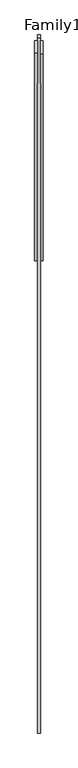
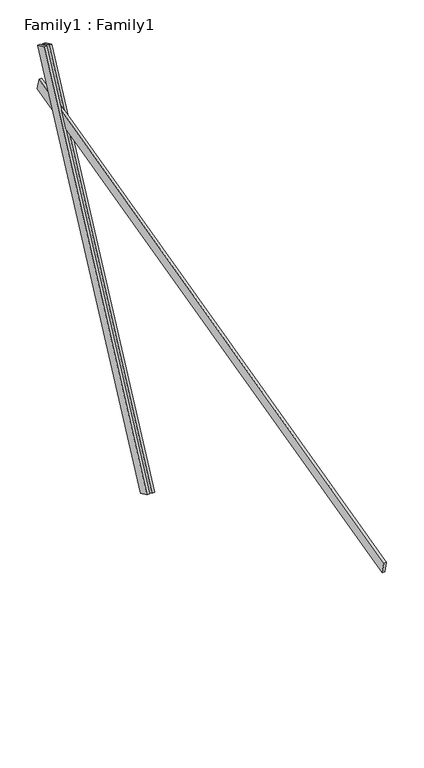
"""IFC4 building model written with IfcOpenShell, lengths in millimetres: proxy geometry, Family1 : Family1."""

import ifcopenshell
import ifcopenshell.guid

model = None  # the IFC model being written
_history = None  # IfcOwnerHistory: only IFC2X3 demands one
_inside = {}  # id of a spatial element -> (the spatial element, [elements in it])
_under = {}  # id of a project, library or spatial element -> (it, [spatial elements below it])
_declared = {}  # id of a project -> (the project, [libraries it declares])
_typed = {}  # id of a type object -> (the type object, [elements of that type])
_made_of = {}  # id of a material, layer set ... -> (it, [elements and type objects made of it])


def new_model(schema):
    """Start an empty IFC model of exactly this schema.

    Asked for "IFC4X3", IfcOpenShell would pick the latest addendum, in which some entities
    have other attributes; the version numbers below select the first issue.
    IFC2X3 requires an IfcOwnerHistory on every rooted entity: one is made here for all.
    """
    global model, _history
    if schema == "IFC4X3":
        model = ifcopenshell.file(schema_version=(4, 3, 0, 0))
    else:
        model = ifcopenshell.file(schema=schema)
    _inside.clear()
    _under.clear()
    _declared.clear()
    _typed.clear()
    _made_of.clear()
    _history = None
    if model.schema == "IFC2X3":
        org = make("IfcOrganization", Name="unknown")
        user = make(
            "IfcPersonAndOrganization",
            ThePerson=make("IfcPerson", FamilyName="unknown"),
            TheOrganization=org,
        )
        app = make(
            "IfcApplication",
            ApplicationDeveloper=org,
            Version="unknown",
            ApplicationFullName="unknown",
            ApplicationIdentifier="unknown",
        )
        _history = make(
            "IfcOwnerHistory",
            OwningUser=user,
            OwningApplication=app,
            ChangeAction="ADDED",
            CreationDate=0,
        )
    return model


def make(cls, **values):
    """One entity of the class cls with the attributes given. An attribute that is None is left unset."""
    return model.create_entity(
        cls, **{name: value for name, value in values.items() if value is not None}
    )


def rooted(cls, **values):
    """An entity with a GlobalId (a new one), such as an element, a storey or a relation."""
    return make(cls, GlobalId=ifcopenshell.guid.new(), OwnerHistory=_history, **values)


def si_unit(unit_type, name, prefix=None):
    """IfcSIUnit, for example si_unit("LENGTHUNIT", "METRE", prefix="MILLI")."""
    return make("IfcSIUnit", UnitType=unit_type, Prefix=prefix, Name=name)


def assignment(units):
    """IfcUnitAssignment: the units of a project."""
    return None if units is None else make("IfcUnitAssignment", Units=units)


def point(xyz):
    """IfcCartesianPoint."""
    return None if xyz is None else make("IfcCartesianPoint", Coordinates=xyz)


def direction(xyz):
    """IfcDirection."""
    return None if xyz is None else make("IfcDirection", DirectionRatios=xyz)


def frame(location, z_axis=None, x_axis=None):
    """IfcAxis2Placement3D, a coordinate frame: its origin and axes. An axis left out is left unset."""
    return make(
        "IfcAxis2Placement3D",
        Location=point(location),
        Axis=direction(z_axis),
        RefDirection=direction(x_axis),
    )


def origin():
    """The frame at (0, 0, 0) with its axes left unset."""
    return frame((0.0, 0.0, 0.0))


def place(relative_to, where):
    """IfcLocalPlacement: puts the frame where relative to a parent placement (None: the world)."""
    return make(
        "IfcLocalPlacement", PlacementRelTo=relative_to, RelativePlacement=where
    )


def context(
    kind, dimensions, precision=None, world=None, true_north=None, identifier=None
):
    """IfcGeometricRepresentationContext, for example the 3D "Model" context."""
    return make(
        "IfcGeometricRepresentationContext",
        ContextIdentifier=identifier,
        ContextType=kind,
        CoordinateSpaceDimension=dimensions,
        Precision=precision,
        WorldCoordinateSystem=world,
        TrueNorth=true_north,
    )


def project(units=None, contexts=None):
    """IfcProject with its units and contexts."""
    return rooted(
        "IfcProject",
        Name="project",
        RepresentationContexts=contexts,
        UnitsInContext=assignment(units),
    )


def spatial(cls, under=None, at=None, **own):
    """A site, building, storey or space (cls), placed at a placement, below another one or the project."""
    s = rooted(cls, ObjectPlacement=at, **own)
    if under is not None:
        _under.setdefault(under.id(), (under, []))[1].append(s)
    return s


def polyline(points):
    """IfcPolyline through the points."""
    return make("IfcPolyline", Points=[point(p) for p in points])


def outline(outer, holes=None, kind="AREA"):
    """IfcArbitraryClosedProfileDef: a profile drawn as a closed curve; with holes, ...WithVoids."""
    if holes is None:
        return make("IfcArbitraryClosedProfileDef", ProfileType=kind, OuterCurve=outer)
    return make(
        "IfcArbitraryProfileDefWithVoids",
        ProfileType=kind,
        OuterCurve=outer,
        InnerCurves=holes,
    )


def extrude(swept, where, along, depth):
    """IfcExtrudedAreaSolid: the profile swept, set in the frame where, extruded along a direction by depth."""
    return make(
        "IfcExtrudedAreaSolid",
        SweptArea=swept,
        Position=where,
        ExtrudedDirection=direction(along),
        Depth=depth,
    )


def shape(context_of_items, identifier, shape_type, items):
    """IfcShapeRepresentation: the items that make up one representation, for example the "Body"."""
    return make(
        "IfcShapeRepresentation",
        ContextOfItems=context_of_items,
        RepresentationIdentifier=identifier,
        RepresentationType=shape_type,
        Items=items,
    )


def source(mapping_origin, context_of_items, identifier, shape_type, items):
    """IfcRepresentationMap: a shape defined once, which mapped items show again and again."""
    return make(
        "IfcRepresentationMap",
        MappingOrigin=mapping_origin,
        MappedRepresentation=shape(context_of_items, identifier, shape_type, items),
    )


def transform(
    local_origin,
    x_axis=None,
    y_axis=None,
    z_axis=None,
    scale=None,
    scale2=None,
    scale3=None,
    uniform=True,
):
    """IfcCartesianTransformationOperator3D, or its non-uniform kind. x_axis, y_axis, z_axis: its Axis1, 2, 3."""
    if uniform:
        return make(
            "IfcCartesianTransformationOperator3D",
            Axis1=direction(x_axis),
            Axis2=direction(y_axis),
            LocalOrigin=point(local_origin),
            Scale=scale,
            Axis3=direction(z_axis),
        )
    return make(
        "IfcCartesianTransformationOperator3DnonUniform",
        Axis1=direction(x_axis),
        Axis2=direction(y_axis),
        LocalOrigin=point(local_origin),
        Scale=scale,
        Axis3=direction(z_axis),
        Scale2=scale2,
        Scale3=scale3,
    )


def mapped(mapping_source, mapping_target):
    """IfcMappedItem: shows the shape of a source again, moved by a transform."""
    return make(
        "IfcMappedItem", MappingSource=mapping_source, MappingTarget=mapping_target
    )


def made_of(thing, what):
    """Note that an element or type object is made of a material, layer set ...; save() writes the relation."""
    if what is not None:
        _made_of.setdefault(what.id(), (what, []))[1].append(thing)
    return thing


def element(
    cls,
    number,
    at=None,
    inside=None,
    cuts=None,
    type_object=None,
    material=None,
    context=None,
    identifier="Body",
    shape_type=None,
    held_by="IfcProductDefinitionShape",
    body=None,
    shapes=None,
    **own,
):
    """One element of the class cls, such as IfcWall. Its Tag is "e" and its number.

    at: its placement. inside: the storey or other place that contains it. cuts: it is an
    opening in that element (IfcRelVoidsElement). A single representation is given by context,
    identifier, shape_type and body (its items); several are given by shapes. held_by: the class
    of the entity that holds the representations. save() writes the other relations.
    """
    e = rooted(cls, Tag="e%d" % number, ObjectPlacement=at, **own)
    if body is not None:
        shapes = [shape(context, identifier, shape_type, body)]
    if shapes is not None:
        e.Representation = make(held_by, Representations=shapes)
    if inside is not None:
        _inside.setdefault(inside.id(), (inside, []))[1].append(e)
    if cuts is not None:
        rooted(
            "IfcRelVoidsElement", RelatingBuildingElement=cuts, RelatedOpeningElement=e
        )
    if type_object is not None:
        _typed.setdefault(type_object.id(), (type_object, []))[1].append(e)
    return made_of(e, material)


def aggregate(whole, parts):
    """IfcRelAggregates: a whole, such as a stair, and the parts it consists of."""
    return rooted("IfcRelAggregates", RelatingObject=whole, RelatedObjects=parts)


def save(model, path):
    """Write the relations noted so far, then the file.

    IfcRelAggregates (storeys below a building ...), IfcRelContainedInSpatialStructure (elements
    in a storey), IfcRelDefinesByType, IfcRelAssociatesMaterial and IfcRelDeclares: one each for
    every whole, place, type object, material and project.
    """
    for whole, parts in _under.values():
        aggregate(whole, parts)
    for where, things in _inside.values():
        rooted(
            "IfcRelContainedInSpatialStructure",
            RelatedElements=things,
            RelatingStructure=where,
        )
    for kind, things in _typed.values():
        rooted("IfcRelDefinesByType", RelatedObjects=things, RelatingType=kind)
    for what, things in _made_of.values():
        rooted("IfcRelAssociatesMaterial", RelatedObjects=things, RelatingMaterial=what)
    for by, libraries in _declared.values():
        rooted("IfcRelDeclares", RelatingContext=by, RelatedDefinitions=libraries)
    model.write(path)


def family1_family1_6b21868f(model_context):
    return source(origin(), model_context, "Body", "SweptSolid", [
        extrude(outline(polyline([(0.0, 0.0), (0.0, -20.0), (-100.0000001, -20.0), (-100.0000001, 0.0), (0.0, 0.0)])), frame((-30.0, 46.3241747, -22.5938096), z_axis=(0.0, 0.4383711467890692, 0.8987940462991711), x_axis=(0.0, 0.8987940462991711, -0.4383711467890692)), (0.0, 0.0, 1.0), 3300.0),
        extrude(outline(polyline([(0.0, 0.0), (0.0, -20.0), (-99.9999999, -20.0), (-99.9999999, 0.0), (0.0, 0.0)])), frame((10.0, 45.270232, -22.0797674), z_axis=(0.0, 0.4383711467890692, 0.8987940462991711), x_axis=(0.0, 0.8987940462991711, -0.4383711467890692)), (0.0, 0.0, 1.0), 3300.0),
        extrude(outline(polyline([(0.0, -20.0), (0.0, 0.0), (5000.0, 0.0), (5000.0, -20.0), (0.0, -20.0)])), frame((-10.0, -3319.1686745, 1331.4959844), z_axis=(0.0, -0.24192189559966498, 0.9702957262759973), x_axis=(0.0, 0.9702957262759973, 0.24192189559966498)), (0.0, 0.0, 1.0), 100.0),
    ])


if __name__ == "__main__":
    model = new_model("IFC4")
    model_context = context("Model", 3, world=origin())
    ifc_project = project(units=[si_unit("LENGTHUNIT", "METRE", prefix="MILLI")], contexts=[model_context])
    site = spatial("IfcSite", under=ifc_project)
    building = spatial("IfcBuilding", under=site)
    placement = place(None, origin())
    family1_family1_shape = family1_family1_6b21868f(model_context)
    element("IfcBuildingElementProxy", 1, Name="Family1 : Family1", ObjectType="Family1 : Family1", at=placement, inside=building, context=model_context, shape_type="MappedRepresentation", body=[
        mapped(family1_family1_shape, transform((0.0, 0.0, 0.0), x_axis=(1.0, 0.0, 0.0), y_axis=(0.0, 1.0, 0.0), z_axis=(0.0, 0.0, 1.0))),
    ])
    save(model, "model.ifc")
